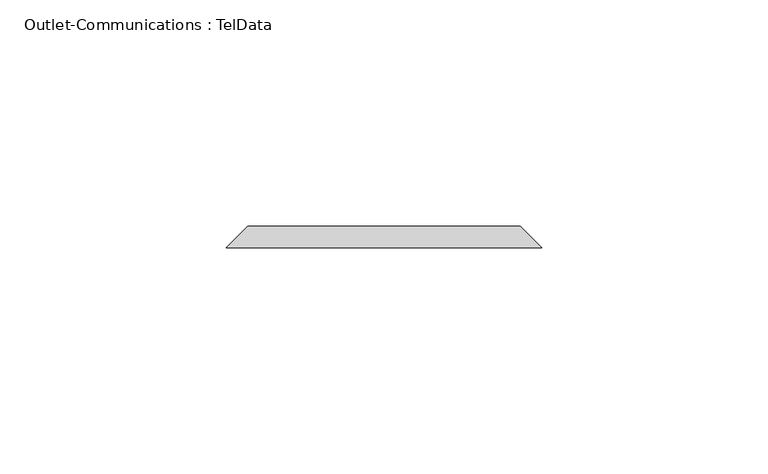
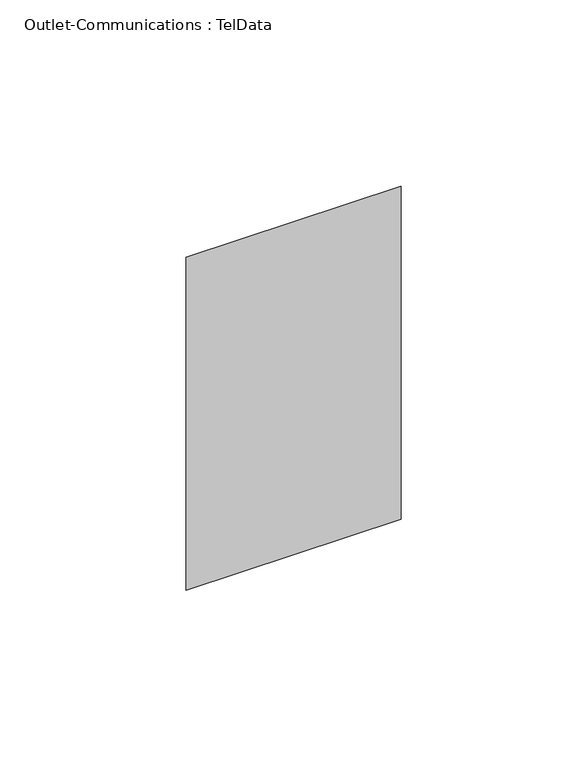
"""IFC4 building model written with IfcOpenShell, lengths in millimetres: proxy geometry, Outlet-Communications : TelData."""

from ifc_helpers import new_model, si_unit, origin, place, context, project, spatial, faceted_brep, source, transform, mapped, element, save


def outlet_communications_teldata_a68bfb7a(model_context):
    return source(origin(), model_context, "Body", "Brep", [
        faceted_brep([(-30.1625, 74.6125, 357.1875), (30.1625, 74.6125, 357.1875), (30.1625, 74.6125, 252.4125), (-30.1625, 74.6125, 252.4125), (-34.925, 69.85, 361.95), (-34.925, 69.85, 247.65), (34.925, 69.85, 247.65), (34.925, 69.85, 361.95)], [[[0, 1, 2, 3]], [[4, 5, 6, 7]], [[4, 7, 1, 0]], [[7, 6, 2, 1]], [[6, 5, 3, 2]], [[5, 4, 0, 3]]]),
    ])


if __name__ == "__main__":
    model = new_model("IFC4")
    model_context = context("Model", 3, world=origin())
    ifc_project = project(units=[si_unit("LENGTHUNIT", "METRE", prefix="MILLI")], contexts=[model_context])
    site = spatial("IfcSite", under=ifc_project)
    building = spatial("IfcBuilding", under=site)
    placement = place(None, origin())
    outlet_communications_teldata_shape = outlet_communications_teldata_a68bfb7a(model_context)
    element("IfcBuildingElementProxy", 1, Name="Outlet-Communications : TelData", ObjectType="Outlet-Communications : TelData", at=placement, inside=building, context=model_context, shape_type="MappedRepresentation", body=[
        mapped(outlet_communications_teldata_shape, transform((0.0, 0.0, 0.0), x_axis=(1.0, 0.0, 0.0), y_axis=(0.0, 1.0, 0.0), z_axis=(0.0, 0.0, 1.0))),
    ])
    save(model, "model.ifc")
